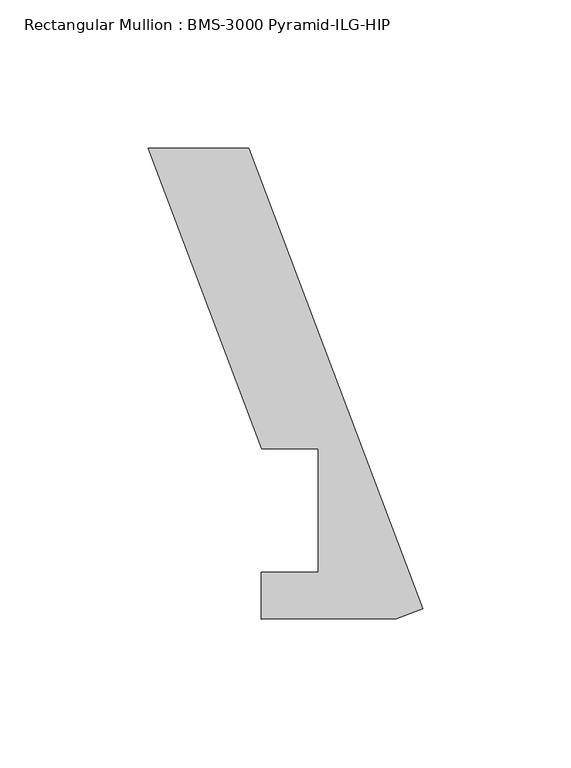
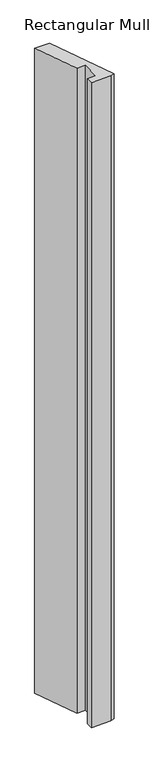
"""IFC4 building model written with IfcOpenShell, lengths in millimetres: member geometry, Rectangular Mullion : BMS-3000 Pyramid-ILG-HIP."""

from ifc_helpers import new_model, si_unit, frame, origin, place, context, project, spatial, polyline, outline, extrude, source, transform, mapped, element, save


def rectangular_mullion_bms_3000_pyramid_ilg_hip_d03e0929(model_context):
    return source(origin(), model_context, "Body", "SweptSolid", [
        extrude(outline(polyline([(-58.7866398, 155.5739504), (0.0, -0.0003776), (-8.9101044, -3.3672255), (-54.4267253, -3.5150841), (-54.4267253, 12.2855261), (-35.2866963, 12.3790627), (-35.2866963, 53.975), (-54.3366963, 53.975), (-92.7277404, 155.5739504), (-58.7866398, 155.5739504)])), frame((0.0, 0.0, -1564.9474859), z_axis=(0.0, 0.0, 1.0), x_axis=(1.0, 0.0, 0.0)), (0.0, 0.0, 1.0), 1564.9474859),
    ])


if __name__ == "__main__":
    model = new_model("IFC4")
    model_context = context("Model", 3, world=origin())
    ifc_project = project(units=[si_unit("LENGTHUNIT", "METRE", prefix="MILLI")], contexts=[model_context])
    site = spatial("IfcSite", under=ifc_project)
    building = spatial("IfcBuilding", under=site)
    placement = place(None, origin())
    rectangular_mullion_bms_3000_pyramid_ilg_hip_shape = rectangular_mullion_bms_3000_pyramid_ilg_hip_d03e0929(model_context)
    element("IfcMember", 1, ObjectType="Rectangular Mullion : BMS-3000 Pyramid-ILG-HIP", at=placement, inside=building, context=model_context, shape_type="MappedRepresentation", body=[
        mapped(rectangular_mullion_bms_3000_pyramid_ilg_hip_shape, transform((0.0, 0.0, 0.0), x_axis=(1.0, 0.0, 0.0), y_axis=(0.0, 1.0, 0.0), z_axis=(0.0, 0.0, 1.0))),
    ])
    save(model, "model.ifc")
